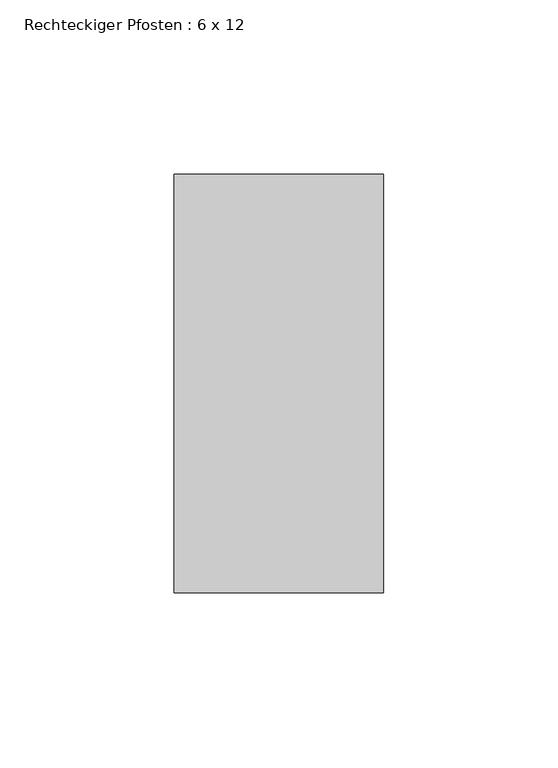
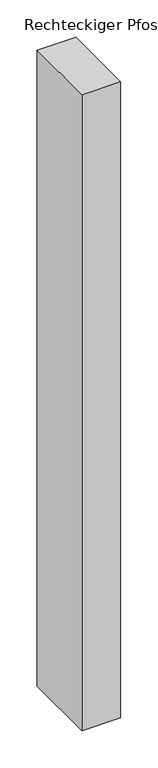
"""IFC4 building model written with IfcOpenShell, lengths in millimetres: member geometry, Rechteckiger Pfosten : 6 x 12."""

import ifcopenshell
import ifcopenshell.guid

model = None  # the IFC model being written
_history = None  # IfcOwnerHistory: only IFC2X3 demands one
_inside = {}  # id of a spatial element -> (the spatial element, [elements in it])
_under = {}  # id of a project, library or spatial element -> (it, [spatial elements below it])
_declared = {}  # id of a project -> (the project, [libraries it declares])
_typed = {}  # id of a type object -> (the type object, [elements of that type])
_made_of = {}  # id of a material, layer set ... -> (it, [elements and type objects made of it])


def new_model(schema):
    """Start an empty IFC model of exactly this schema.

    Asked for "IFC4X3", IfcOpenShell would pick the latest addendum, in which some entities
    have other attributes; the version numbers below select the first issue.
    IFC2X3 requires an IfcOwnerHistory on every rooted entity: one is made here for all.
    """
    global model, _history
    if schema == "IFC4X3":
        model = ifcopenshell.file(schema_version=(4, 3, 0, 0))
    else:
        model = ifcopenshell.file(schema=schema)
    _inside.clear()
    _under.clear()
    _declared.clear()
    _typed.clear()
    _made_of.clear()
    _history = None
    if model.schema == "IFC2X3":
        org = make("IfcOrganization", Name="unknown")
        user = make(
            "IfcPersonAndOrganization",
            ThePerson=make("IfcPerson", FamilyName="unknown"),
            TheOrganization=org,
        )
        app = make(
            "IfcApplication",
            ApplicationDeveloper=org,
            Version="unknown",
            ApplicationFullName="unknown",
            ApplicationIdentifier="unknown",
        )
        _history = make(
            "IfcOwnerHistory",
            OwningUser=user,
            OwningApplication=app,
            ChangeAction="ADDED",
            CreationDate=0,
        )
    return model


def make(cls, **values):
    """One entity of the class cls with the attributes given. An attribute that is None is left unset."""
    return model.create_entity(
        cls, **{name: value for name, value in values.items() if value is not None}
    )


def rooted(cls, **values):
    """An entity with a GlobalId (a new one), such as an element, a storey or a relation."""
    return make(cls, GlobalId=ifcopenshell.guid.new(), OwnerHistory=_history, **values)


def si_unit(unit_type, name, prefix=None):
    """IfcSIUnit, for example si_unit("LENGTHUNIT", "METRE", prefix="MILLI")."""
    return make("IfcSIUnit", UnitType=unit_type, Prefix=prefix, Name=name)


def assignment(units):
    """IfcUnitAssignment: the units of a project."""
    return None if units is None else make("IfcUnitAssignment", Units=units)


def point(xyz):
    """IfcCartesianPoint."""
    return None if xyz is None else make("IfcCartesianPoint", Coordinates=xyz)


def direction(xyz):
    """IfcDirection."""
    return None if xyz is None else make("IfcDirection", DirectionRatios=xyz)


def frame(location, z_axis=None, x_axis=None):
    """IfcAxis2Placement3D, a coordinate frame: its origin and axes. An axis left out is left unset."""
    return make(
        "IfcAxis2Placement3D",
        Location=point(location),
        Axis=direction(z_axis),
        RefDirection=direction(x_axis),
    )


def origin():
    """The frame at (0, 0, 0) with its axes left unset."""
    return frame((0.0, 0.0, 0.0))


def place(relative_to, where):
    """IfcLocalPlacement: puts the frame where relative to a parent placement (None: the world)."""
    return make(
        "IfcLocalPlacement", PlacementRelTo=relative_to, RelativePlacement=where
    )


def context(
    kind, dimensions, precision=None, world=None, true_north=None, identifier=None
):
    """IfcGeometricRepresentationContext, for example the 3D "Model" context."""
    return make(
        "IfcGeometricRepresentationContext",
        ContextIdentifier=identifier,
        ContextType=kind,
        CoordinateSpaceDimension=dimensions,
        Precision=precision,
        WorldCoordinateSystem=world,
        TrueNorth=true_north,
    )


def project(units=None, contexts=None):
    """IfcProject with its units and contexts."""
    return rooted(
        "IfcProject",
        Name="project",
        RepresentationContexts=contexts,
        UnitsInContext=assignment(units),
    )


def spatial(cls, under=None, at=None, **own):
    """A site, building, storey or space (cls), placed at a placement, below another one or the project."""
    s = rooted(cls, ObjectPlacement=at, **own)
    if under is not None:
        _under.setdefault(under.id(), (under, []))[1].append(s)
    return s


def polyline(points):
    """IfcPolyline through the points."""
    return make("IfcPolyline", Points=[point(p) for p in points])


def outline(outer, holes=None, kind="AREA"):
    """IfcArbitraryClosedProfileDef: a profile drawn as a closed curve; with holes, ...WithVoids."""
    if holes is None:
        return make("IfcArbitraryClosedProfileDef", ProfileType=kind, OuterCurve=outer)
    return make(
        "IfcArbitraryProfileDefWithVoids",
        ProfileType=kind,
        OuterCurve=outer,
        InnerCurves=holes,
    )


def extrude(swept, where, along, depth):
    """IfcExtrudedAreaSolid: the profile swept, set in the frame where, extruded along a direction by depth."""
    return make(
        "IfcExtrudedAreaSolid",
        SweptArea=swept,
        Position=where,
        ExtrudedDirection=direction(along),
        Depth=depth,
    )


def shape(context_of_items, identifier, shape_type, items):
    """IfcShapeRepresentation: the items that make up one representation, for example the "Body"."""
    return make(
        "IfcShapeRepresentation",
        ContextOfItems=context_of_items,
        RepresentationIdentifier=identifier,
        RepresentationType=shape_type,
        Items=items,
    )


def source(mapping_origin, context_of_items, identifier, shape_type, items):
    """IfcRepresentationMap: a shape defined once, which mapped items show again and again."""
    return make(
        "IfcRepresentationMap",
        MappingOrigin=mapping_origin,
        MappedRepresentation=shape(context_of_items, identifier, shape_type, items),
    )


def transform(
    local_origin,
    x_axis=None,
    y_axis=None,
    z_axis=None,
    scale=None,
    scale2=None,
    scale3=None,
    uniform=True,
):
    """IfcCartesianTransformationOperator3D, or its non-uniform kind. x_axis, y_axis, z_axis: its Axis1, 2, 3."""
    if uniform:
        return make(
            "IfcCartesianTransformationOperator3D",
            Axis1=direction(x_axis),
            Axis2=direction(y_axis),
            LocalOrigin=point(local_origin),
            Scale=scale,
            Axis3=direction(z_axis),
        )
    return make(
        "IfcCartesianTransformationOperator3DnonUniform",
        Axis1=direction(x_axis),
        Axis2=direction(y_axis),
        LocalOrigin=point(local_origin),
        Scale=scale,
        Axis3=direction(z_axis),
        Scale2=scale2,
        Scale3=scale3,
    )


def mapped(mapping_source, mapping_target):
    """IfcMappedItem: shows the shape of a source again, moved by a transform."""
    return make(
        "IfcMappedItem", MappingSource=mapping_source, MappingTarget=mapping_target
    )


def made_of(thing, what):
    """Note that an element or type object is made of a material, layer set ...; save() writes the relation."""
    if what is not None:
        _made_of.setdefault(what.id(), (what, []))[1].append(thing)
    return thing


def element(
    cls,
    number,
    at=None,
    inside=None,
    cuts=None,
    type_object=None,
    material=None,
    context=None,
    identifier="Body",
    shape_type=None,
    held_by="IfcProductDefinitionShape",
    body=None,
    shapes=None,
    **own,
):
    """One element of the class cls, such as IfcWall. Its Tag is "e" and its number.

    at: its placement. inside: the storey or other place that contains it. cuts: it is an
    opening in that element (IfcRelVoidsElement). A single representation is given by context,
    identifier, shape_type and body (its items); several are given by shapes. held_by: the class
    of the entity that holds the representations. save() writes the other relations.
    """
    e = rooted(cls, Tag="e%d" % number, ObjectPlacement=at, **own)
    if body is not None:
        shapes = [shape(context, identifier, shape_type, body)]
    if shapes is not None:
        e.Representation = make(held_by, Representations=shapes)
    if inside is not None:
        _inside.setdefault(inside.id(), (inside, []))[1].append(e)
    if cuts is not None:
        rooted(
            "IfcRelVoidsElement", RelatingBuildingElement=cuts, RelatedOpeningElement=e
        )
    if type_object is not None:
        _typed.setdefault(type_object.id(), (type_object, []))[1].append(e)
    return made_of(e, material)


def aggregate(whole, parts):
    """IfcRelAggregates: a whole, such as a stair, and the parts it consists of."""
    return rooted("IfcRelAggregates", RelatingObject=whole, RelatedObjects=parts)


def save(model, path):
    """Write the relations noted so far, then the file.

    IfcRelAggregates (storeys below a building ...), IfcRelContainedInSpatialStructure (elements
    in a storey), IfcRelDefinesByType, IfcRelAssociatesMaterial and IfcRelDeclares: one each for
    every whole, place, type object, material and project.
    """
    for whole, parts in _under.values():
        aggregate(whole, parts)
    for where, things in _inside.values():
        rooted(
            "IfcRelContainedInSpatialStructure",
            RelatedElements=things,
            RelatingStructure=where,
        )
    for kind, things in _typed.values():
        rooted("IfcRelDefinesByType", RelatedObjects=things, RelatingType=kind)
    for what, things in _made_of.values():
        rooted("IfcRelAssociatesMaterial", RelatedObjects=things, RelatingMaterial=what)
    for by, libraries in _declared.values():
        rooted("IfcRelDeclares", RelatingContext=by, RelatedDefinitions=libraries)
    model.write(path)


def rechteckiger_pfosten_6_x_12_b79cc7e7(model_context):
    return source(origin(), model_context, "Body", "SweptSolid", [
        extrude(outline(polyline([(0.0, 60.0), (0.0, -60.0), (-60.0, -60.0), (-60.0, 60.0), (0.0, 60.0)])), frame((0.0, 0.0, -1039.3750003), z_axis=(0.0, 0.0, 1.0), x_axis=(1.0, 0.0, 0.0)), (0.0, 0.0, 1.0), 1039.3750003),
    ])


if __name__ == "__main__":
    model = new_model("IFC4")
    model_context = context("Model", 3, world=origin())
    ifc_project = project(units=[si_unit("LENGTHUNIT", "METRE", prefix="MILLI")], contexts=[model_context])
    site = spatial("IfcSite", under=ifc_project)
    building = spatial("IfcBuilding", under=site)
    placement = place(None, origin())
    rechteckiger_pfosten_6_x_12_shape = rechteckiger_pfosten_6_x_12_b79cc7e7(model_context)
    element("IfcMember", 1, ObjectType="Rechteckiger Pfosten : 6 x 12", at=placement, inside=building, context=model_context, shape_type="MappedRepresentation", body=[
        mapped(rechteckiger_pfosten_6_x_12_shape, transform((0.0, 0.0, 0.0), x_axis=(1.0, 0.0, 0.0), y_axis=(0.0, 1.0, 0.0), z_axis=(0.0, 0.0, 1.0))),
    ])
    save(model, "model.ifc")
